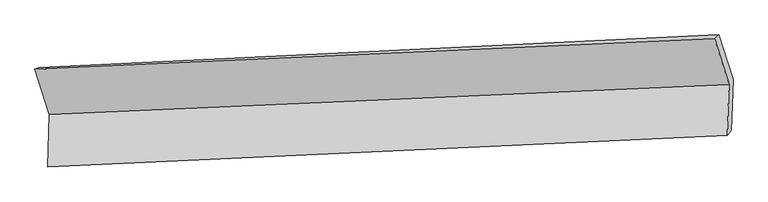
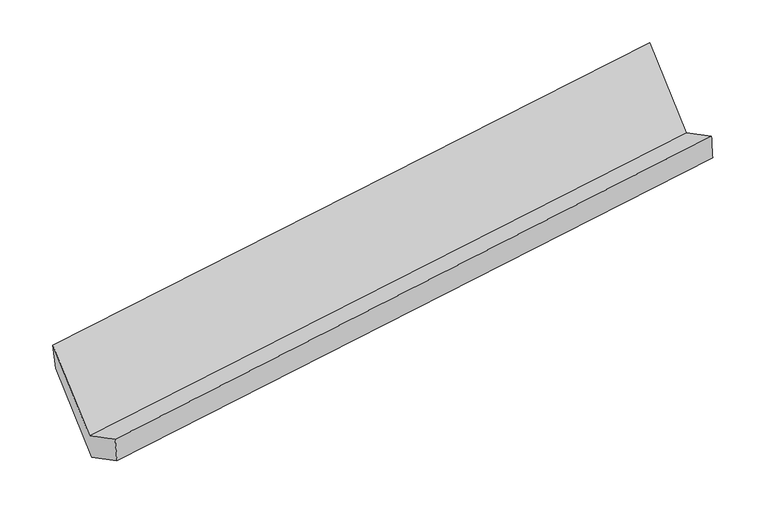
"""IFC4 building model written with IfcOpenShell, lengths in millimetres: proxy geometry."""

from ifc_helpers import new_model, si_unit, frame, origin, place, context, project, spatial, source, transform, mapped, element, save
from ifc_brep_helpers import plane_surface, spline_surface, advanced_brep


def generic_models_8df2e75b(model_context):
    return source(origin(), model_context, "Body", "AdvancedBrep", [
        advanced_brep(
        [(-5190.0221494, -1609.0466205, 1429.4508176), (-5202.1930123, -1970.5695979, 1624.6501738), (-498.1244537, -1751.2560179, 2303.0802907), (-486.2496936, -1398.5284708, 2112.6299061), (-5174.230496, -1946.3361658, 1427.0607842), (-469.8658346, -1718.2271556, 2100.7419297), (-5162.3557359, -1593.6086187, 1236.6103995), (-457.9910744, -1365.4996085, 1910.291545), (-5260.2538225, -1283.1988455, 1805.4071588), (-555.8891611, -1055.0898353, 2479.0883043), (-5289.4140922, -1293.9002118, 2006.9270168), (-585.6416364, -1083.382062, 2690.1061052)],
        [
            (0, 1),
            (1, 2),
            (2, 3),
            (3, 0),
            (1, 4),
            (4, 5),
            (5, 2),
            (4, 6),
            (6, 7),
            (7, 5),
            (6, 8),
            (8, 9),
            (9, 7),
            (8, 10),
            (10, 11),
            (11, 9),
            (10, 0),
            (3, 11),
        ],
        [
            plane_surface(frame((-5196.1075808, -1789.8081092, 1527.0504957), z_axis=(-0.14730798761329794, 0.47375760436093395, 0.868247711828548), x_axis=(-0.029610282766801572, -0.8795430222188044, 0.47489715015009487))),
            spline_surface(1, 1, [[(-5202.1930123, -1970.5695979, 1624.6501738), (-498.1244537, -1751.2560179, 2303.0802907)], [(-5174.230496, -1946.3361658, 1427.0607842), (-469.8658346, -1718.2271556, 2100.7419297)]], [2, 2], [2, 2], [0.0, 1.0], [0.0, 1.0]),
            plane_surface(frame((-5168.2931159, -1769.9723923, 1331.8355919), z_axis=(0.14730798761329794, -0.47375760436093295, -0.8682477118285485), x_axis=(0.029610282766801593, 0.879543022218805, -0.47489715015009387))),
            plane_surface(frame((-5211.3047792, -1438.4037321, 1521.0087792), z_axis=(0.0254554458050944, 0.8793450685413653, -0.47550422785801383), x_axis=(-0.14938561901902053, 0.4736635585995958, 0.8679439901774028))),
            spline_surface(1, 1, [[(-5260.2538225, -1283.1988455, 1805.4071588), (-555.8891611, -1055.0898353, 2479.0883043)], [(-5289.4140922, -1293.9002118, 2006.9270168), (-585.6416364, -1083.382062, 2690.1061052)]], [2, 2], [2, 2], [0.0, 1.0], [0.0, 1.0]),
            plane_surface(frame((-5239.7181208, -1451.4734161, 1718.1889172), z_axis=(-0.02961028276684531, -0.8795430222188023, 0.4748971501500962), x_axis=(0.14938561901902184, -0.47366355859959913, -0.8679439901774006))),
            plane_surface(frame((-508.960309, -1395.330525, 2265.9896802), z_axis=(0.9883355543461801, 0.04524273777060146, 0.14541639073450313), x_axis=(-0.13839981663058834, -0.1316071667855009, 0.9815931155052551))),
            plane_surface(frame((-5213.0782181, -1616.11001, 1588.3510584), z_axis=(-0.9883355543461799, -0.045242737770612385, -0.14541639073450083), x_axis=(-0.14938561901902503, 0.47366355859959897, 0.8679439901774003))),
        ],
        [
            (0, [[1, 2, 3, 4]]),
            (1, [[5, 6, 7, -2]]),
            (2, [[8, 9, 10, -6]]),
            (3, [[11, 12, 13, -9]]),
            (4, [[14, 15, 16, -12]]),
            (5, [[17, -4, 18, -15]]),
            (6, [[-16, -18, -3, -7, -10, -13]]),
            (7, [[-17, -14, -11, -8, -5, -1]]),
        ],
    ),
    ])


if __name__ == "__main__":
    model = new_model("IFC4")
    model_context = context("Model", 3, world=origin())
    ifc_project = project(units=[si_unit("LENGTHUNIT", "METRE", prefix="MILLI")], contexts=[model_context])
    site = spatial("IfcSite", under=ifc_project)
    building = spatial("IfcBuilding", under=site)
    placement = place(None, origin())
    generic_models_shape = generic_models_8df2e75b(model_context)
    element("IfcBuildingElementProxy", 1, Name="Generic Models", at=placement, inside=building, context=model_context, shape_type="MappedRepresentation", body=[
        mapped(generic_models_shape, transform((0.0, 0.0, 0.0), x_axis=(1.0, 0.0, 0.0), y_axis=(0.0, 1.0, 0.0), z_axis=(0.0, 0.0, 1.0))),
    ])
    save(model, "model.ifc")
